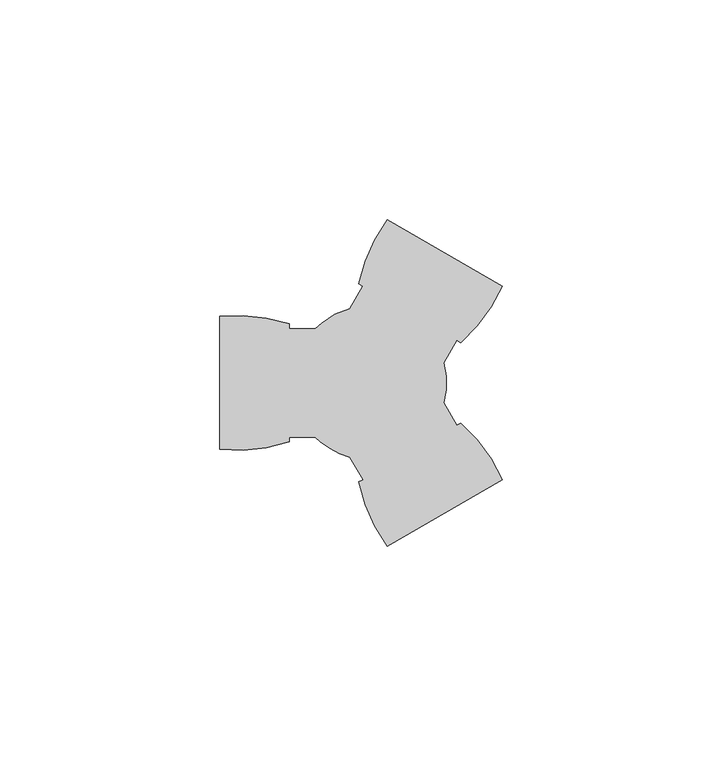
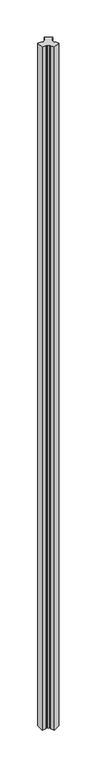
"""IFC4 building model written with IfcOpenShell, lengths in millimetres: member geometry."""

from ifc_helpers import new_model, si_unit, point, frame, frame_2d, origin, place, context, project, spatial, polyline, circle_curve, trimmed, segment, composite_curve, outline, extrude, source, transform, mapped, element, save


def member_f6919c91(model_context):
    return source(origin(), model_context, "Body", "SweptSolid", [
        extrude(outline(composite_curve([segment(trimmed(circle_curve(frame_2d((-30.2268334, 0.0)), 17.5), [point((-41.2034242, 13.6295435))], [point((-34.7229024, 16.91258))], False, "CARTESIAN"), True, "CONTINUOUS"), segment(polyline([(-34.7229024, 16.91258), (-31.75572, 22.0518908), (-32.6696373, 22.5795412)]), True, "CONTINUOUS"), segment(trimmed(circle_curve(frame_2d((4.5554866, 14.9447425)), 38.0), [point((-32.6696373, 22.5795412))], [point((-26.2436361, 37.2026408))], False, "CARTESIAN"), True, "CONTINUOUS"), segment(polyline([(-26.2436361, 37.2026408), (-1.8e-06, 22.0508715)]), True, "CONTINUOUS"), segment(trimmed(circle_curve(frame_2d((-34.6754686, 37.5947451)), 38.0), [point((-1.8e-06, 22.0508715))], [point((-9.4504778, 9.1746846))], False, "CARTESIAN"), True, "CONTINUOUS"), segment(polyline([(-9.4504778, 9.1746846), (-10.3645758, 9.7024393), (-13.332075, 4.56258)]), True, "CONTINUOUS"), segment(trimmed(circle_curve(frame_2d((-30.2268334, 0.0)), 17.5), [point((-13.332075, 4.56258))], [point((-13.332075, -4.56258))], False, "CARTESIAN"), True, "CONTINUOUS"), segment(polyline([(-13.332075, -4.56258), (-10.3648925, -9.7018908), (-9.4509752, -9.1742404)]), True, "CONTINUOUS"), segment(trimmed(circle_curve(frame_2d((-34.6754668, -37.594744)), 38.0), [point((-9.4509752, -9.1742404))], [point((0.0, -22.0508705))], False, "CARTESIAN"), True, "CONTINUOUS"), segment(polyline([(0.0, -22.0508705), (-26.2436343, -37.2026398)]), True, "CONTINUOUS"), segment(trimmed(circle_curve(frame_2d((4.5554885, -14.9447414)), 38.0), [point((-26.2436343, -37.2026398))], [point((-32.6695013, -22.580194))], False, "CARTESIAN"), True, "CONTINUOUS"), segment(polyline([(-32.6695013, -22.580194), (-31.7554033, -22.0524393), (-34.7229024, -16.91258)]), True, "CONTINUOUS"), segment(trimmed(circle_curve(frame_2d((-30.2268334, 0.0)), 17.5), [point((-34.7229024, -16.91258))], [point((-41.3775269, -13.4874769))], False, "CARTESIAN"), True, "CONTINUOUS"), segment(trimmed(circle_curve(frame_2d((-30.2268334, 0.0)), 17.5), [point((-41.3775269, -13.4874769))], [point((-42.6255229, -12.35))], False, "CARTESIAN"), True, "CONTINUOUS"), segment(polyline([(-42.6255229, -12.35), (-48.5598878, -12.35), (-48.5598878, -13.4053008)]), True, "CONTINUOUS"), segment(trimmed(circle_curve(frame_2d((-60.5605201, 22.6500015)), 38.0), [point((-48.5598878, -13.4053008))], [point((-64.4368641, -15.1517704))], False, "CARTESIAN"), True, "CONTINUOUS"), segment(polyline([(-64.4368641, -15.1517704), (-64.4368641, 15.1517683)]), True, "CONTINUOUS"), segment(trimmed(circle_curve(frame_2d((-60.5605201, -22.6500036)), 38.0), [point((-64.4368641, 15.1517683))], [point((-48.5605211, 13.4055095))], False, "CARTESIAN"), True, "CONTINUOUS"), segment(polyline([(-48.5605211, 13.4055095), (-48.5605211, 12.35), (-42.6255229, 12.35)]), True, "CONTINUOUS"), segment(trimmed(circle_curve(frame_2d((-30.2268334, 0.0)), 17.5), [point((-42.6255229, 12.35))], [point((-41.2034242, 13.6295435))], False, "CARTESIAN"), True, "CONTINUOUS")], self_intersect=False)), frame((0.0, 0.0, -3000.0), z_axis=(0.0, 0.0, 1.0), x_axis=(1.0, 0.0, 0.0)), (0.0, 0.0, 1.0), 3000.0),
    ])


if __name__ == "__main__":
    model = new_model("IFC4")
    model_context = context("Model", 3, world=origin())
    ifc_project = project(units=[si_unit("LENGTHUNIT", "METRE", prefix="MILLI")], contexts=[model_context])
    site = spatial("IfcSite", under=ifc_project)
    building = spatial("IfcBuilding", under=site)
    placement = place(None, origin())
    member_shape = member_f6919c91(model_context)
    element("IfcMember", 1, at=placement, inside=building, context=model_context, shape_type="MappedRepresentation", body=[
        mapped(member_shape, transform((0.0, 0.0, 0.0), x_axis=(1.0, 0.0, 0.0), y_axis=(0.0, 1.0, 0.0), z_axis=(0.0, 0.0, 1.0))),
    ])
    save(model, "model.ifc")
